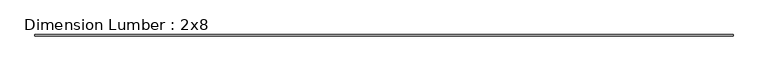
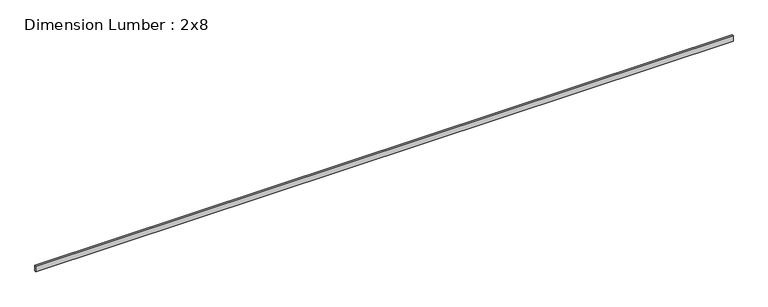
"""IFC4 building model written with IfcOpenShell, lengths in millimetres: beam geometry, Dimension Lumber : 2x8."""

from ifc_helpers import new_model, si_unit, frame, origin, place, context, project, spatial, polyline, outline, extrude, source, transform, mapped, element, save


def dimension_lumber_2x8_871b4b2b(model_context):
    return source(origin(), model_context, "Body", "SweptSolid", [
        extrude(outline(polyline([(10985.2283781, 19.05), (10985.2283781, -19.05), (-10985.2283781, -19.05), (-10985.2283781, 19.05), (10985.2283781, 19.05)])), frame((0.0, 0.0, -92.075), z_axis=(0.0, 0.0, 1.0), x_axis=(1.0, 0.0, 0.0)), (0.0, 0.0, 1.0), 184.15),
    ])


if __name__ == "__main__":
    model = new_model("IFC4")
    model_context = context("Model", 3, world=origin())
    ifc_project = project(units=[si_unit("LENGTHUNIT", "METRE", prefix="MILLI")], contexts=[model_context])
    site = spatial("IfcSite", under=ifc_project)
    building = spatial("IfcBuilding", under=site)
    placement = place(None, origin())
    dimension_lumber_2x8_shape = dimension_lumber_2x8_871b4b2b(model_context)
    element("IfcBeam", 1, ObjectType="Dimension Lumber : 2x8", at=placement, inside=building, context=model_context, shape_type="MappedRepresentation", body=[
        mapped(dimension_lumber_2x8_shape, transform((0.0, 0.0, 0.0), x_axis=(1.0, 0.0, 0.0), y_axis=(0.0, 1.0, 0.0), z_axis=(0.0, 0.0, 1.0))),
    ])
    save(model, "model.ifc")
